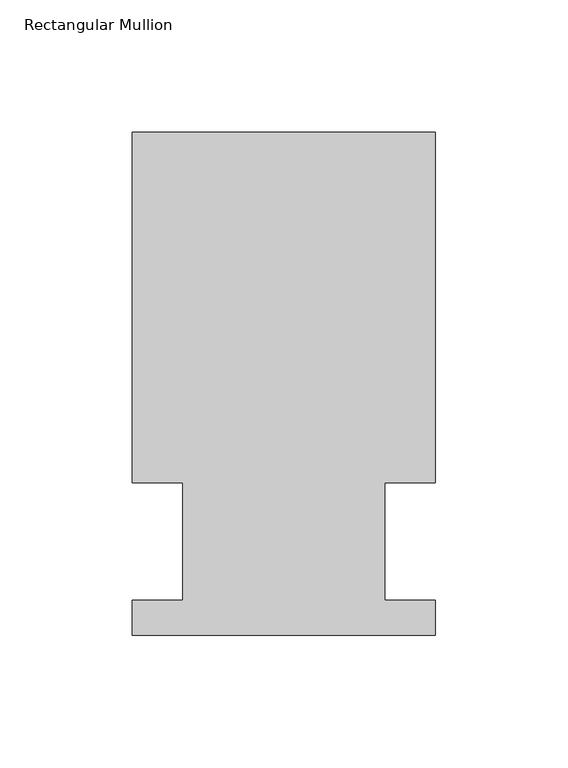
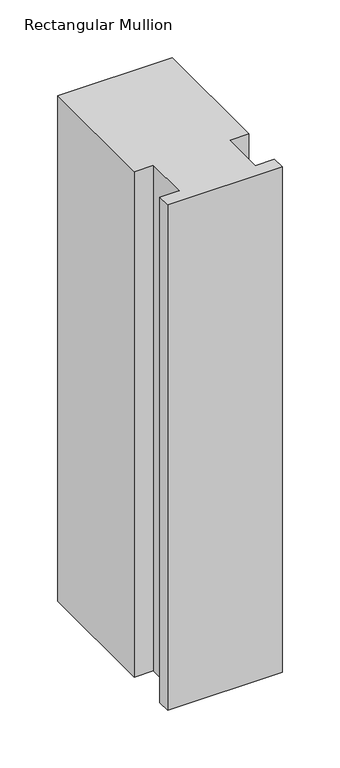
"""IFC4 building model written with IfcOpenShell, lengths in millimetres: member geometry, Rectangular Mullion."""

from ifc_helpers import new_model, si_unit, frame, origin, place, context, project, spatial, polyline, outline, extrude, source, transform, mapped, element, save


def rectangular_mullion_e849593e(model_context):
    return source(origin(), model_context, "Body", "SweptSolid", [
        extrude(outline(polyline([(-114.3, 189.8022937), (0.0, 189.8022937), (0.0, 57.6460937), (-19.0372999, 57.6460938), (-19.0372999, 13.1960937), (0.0, 13.1960937), (0.0, 0.0231006), (-114.3, 0.0231006), (-114.3, 13.1960937), (-95.25, 13.1960937), (-95.25, 57.6460937), (-114.3, 57.6460938), (-114.3, 189.8022937)])), frame((0.0, 0.0, -533.43175), z_axis=(0.0, 0.0, 1.0), x_axis=(1.0, 0.0, 0.0)), (0.0, 0.0, 1.0), 533.43175),
    ])


if __name__ == "__main__":
    model = new_model("IFC4")
    model_context = context("Model", 3, world=origin())
    ifc_project = project(units=[si_unit("LENGTHUNIT", "METRE", prefix="MILLI")], contexts=[model_context])
    site = spatial("IfcSite", under=ifc_project)
    building = spatial("IfcBuilding", under=site)
    placement = place(None, origin())
    rectangular_mullion_shape = rectangular_mullion_e849593e(model_context)
    element("IfcMember", 1, ObjectType="Rectangular Mullion", at=placement, inside=building, context=model_context, shape_type="MappedRepresentation", body=[
        mapped(rectangular_mullion_shape, transform((0.0, 0.0, 0.0), x_axis=(1.0, 0.0, 0.0), y_axis=(0.0, 1.0, 0.0), z_axis=(0.0, 0.0, 1.0))),
    ])
    save(model, "model.ifc")
